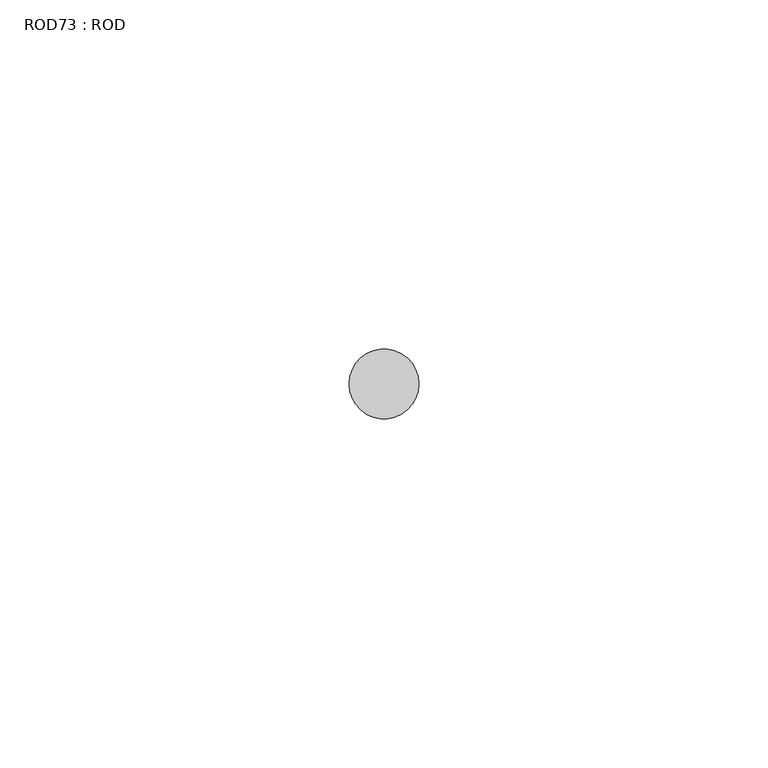
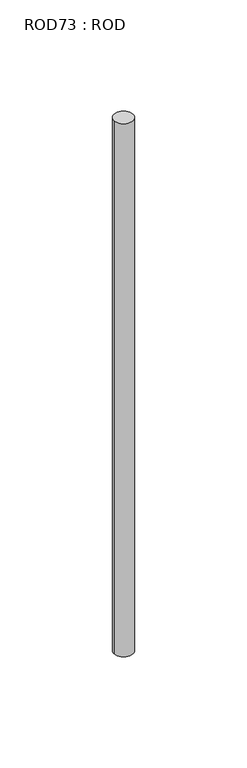
"""IFC4 building model written with IfcOpenShell, lengths in millimetres: proxy geometry, ROD73 : ROD."""

from ifc_helpers import new_model, si_unit, point, frame, frame_2d, origin, place, context, project, spatial, circle_curve, trimmed, segment, composite_curve, outline, extrude, source, transform, mapped, element, save


def rod73_rod_c8ab7c50(model_context):
    return source(origin(), model_context, "Body", "SweptSolid", [
        extrude(outline(composite_curve([segment(trimmed(circle_curve(frame_2d((8099.7673324, 1031.8951272)), 5.0), [point((8094.7673324, 1031.8951272))], [point((8104.7673324, 1031.8951272))], False, "CARTESIAN"), True, "CONTINUOUS"), segment(trimmed(circle_curve(frame_2d((8099.7673324, 1031.8951272)), 5.0), [point((8104.7673324, 1031.8951272))], [point((8094.7673324, 1031.8951272))], False, "CARTESIAN"), True, "CONTINUOUS")], self_intersect=False)), frame((0.0, 0.0, -108.6608845), z_axis=(0.0, 0.0, 1.0), x_axis=(1.0, 0.0, 0.0)), (0.0, 0.0, 1.0), 298.9028972),
    ])


if __name__ == "__main__":
    model = new_model("IFC4")
    model_context = context("Model", 3, world=origin())
    ifc_project = project(units=[si_unit("LENGTHUNIT", "METRE", prefix="MILLI")], contexts=[model_context])
    site = spatial("IfcSite", under=ifc_project)
    building = spatial("IfcBuilding", under=site)
    placement = place(None, origin())
    rod73_rod_shape = rod73_rod_c8ab7c50(model_context)
    element("IfcBuildingElementProxy", 1, Name="ROD73 : ROD", ObjectType="ROD73 : ROD", at=placement, inside=building, context=model_context, shape_type="MappedRepresentation", body=[
        mapped(rod73_rod_shape, transform((0.0, 0.0, 0.0), x_axis=(1.0, 0.0, 0.0), y_axis=(0.0, 1.0, 0.0), z_axis=(0.0, 0.0, 1.0))),
    ])
    save(model, "model.ifc")
